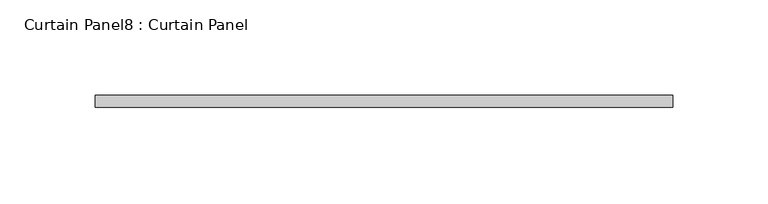
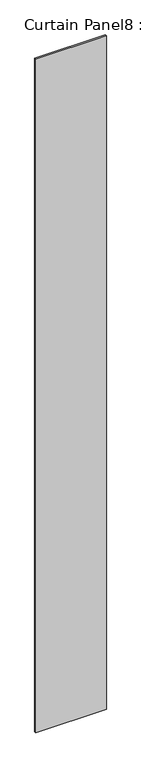
"""IFC4 building model written with IfcOpenShell, lengths in millimetres: plate geometry, Curtain Panel8 : Curtain Panel."""

from ifc_helpers import new_model, si_unit, origin, origin_with_axes, place, context, project, spatial, polyline, outline, extrude, source, transform, mapped, element, save


def curtain_panel8_curtain_panel_90493b49(model_context):
    return source(origin(), model_context, "Body", "SweptSolid", [
        extrude(outline(polyline([(159721.4365737, 2237.0792941), (160024.2950503, 2237.0792941), (160024.2950503, 2230.7292941), (159721.4365737, 2230.7292941), (159721.4365737, 2237.0792941)])), origin_with_axes(), (0.0, 0.0, 1.0), 3048.0),
    ])


if __name__ == "__main__":
    model = new_model("IFC4")
    model_context = context("Model", 3, world=origin())
    ifc_project = project(units=[si_unit("LENGTHUNIT", "METRE", prefix="MILLI")], contexts=[model_context])
    site = spatial("IfcSite", under=ifc_project)
    building = spatial("IfcBuilding", under=site)
    placement = place(None, origin())
    curtain_panel8_curtain_panel_shape = curtain_panel8_curtain_panel_90493b49(model_context)
    element("IfcPlate", 1, ObjectType="Curtain Panel8 : Curtain Panel", at=placement, inside=building, context=model_context, shape_type="MappedRepresentation", body=[
        mapped(curtain_panel8_curtain_panel_shape, transform((0.0, 0.0, 0.0), x_axis=(1.0, 0.0, 0.0), y_axis=(0.0, 1.0, 0.0), z_axis=(0.0, 0.0, 1.0))),
    ])
    save(model, "model.ifc")
